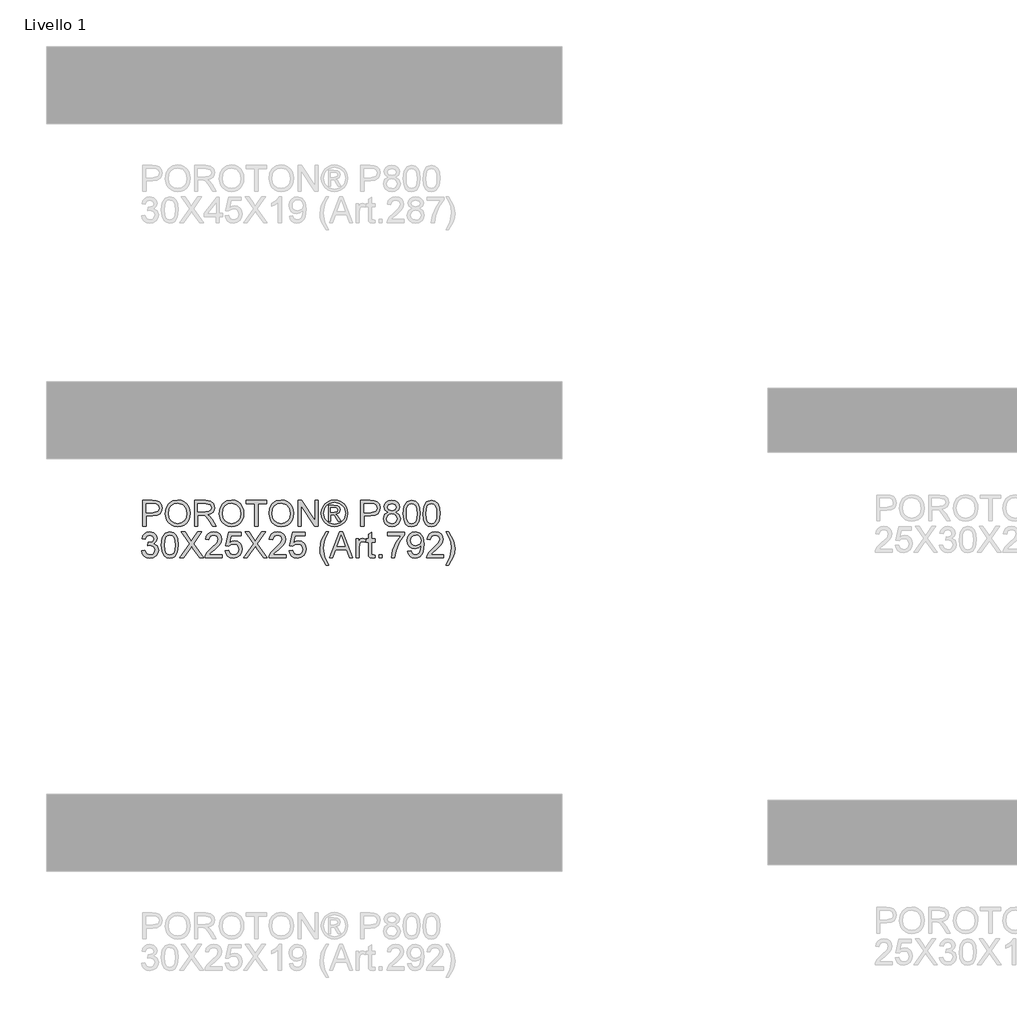
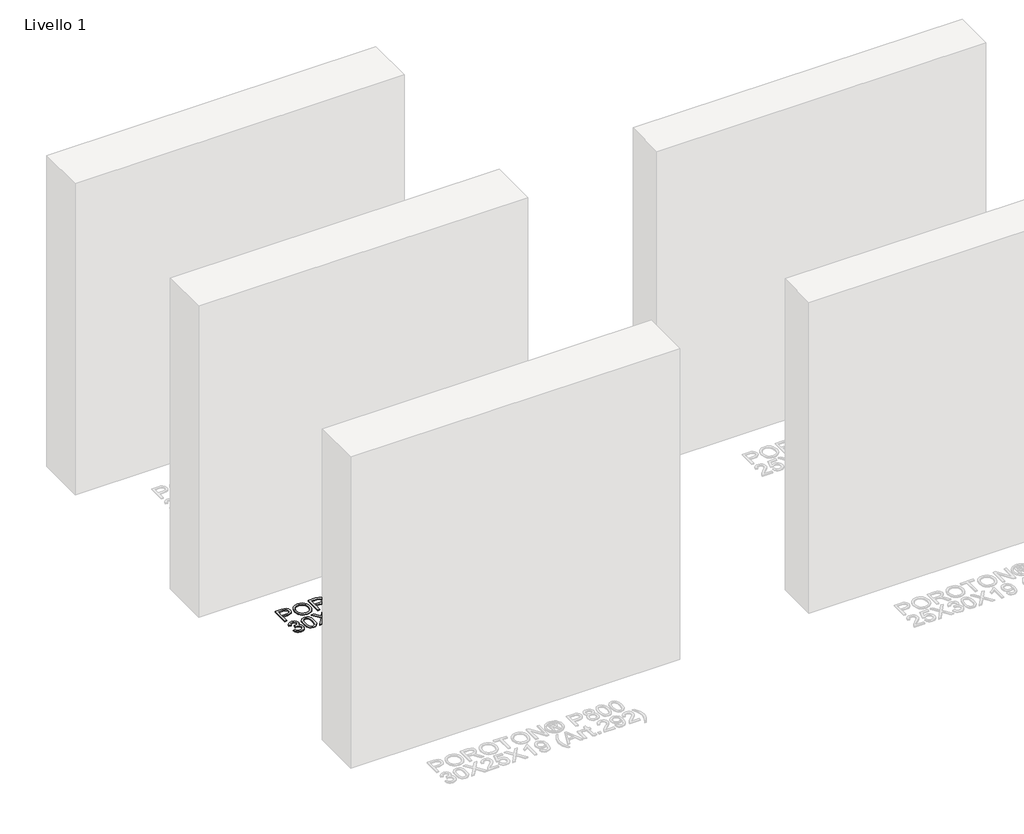
# One storey, part 4 of 8: 1 proxy.
"""IFC4 building model written with IfcOpenShell, lengths in millimetres."""

from ifc_helpers import new_model, si_unit, origin, origin_with_axes, place, context, project, spatial, polyline, outline, extrude, element, save

model = new_model("IFC4")

# Units and contexts
model_context = context("Model", 3, world=origin())
ifc_project = project(units=[si_unit("LENGTHUNIT", "METRE", prefix="MILLI")], contexts=[model_context])

# Site, building, storey
site = spatial("IfcSite", under=ifc_project)
building = spatial("IfcBuilding", under=site)
storey = spatial("IfcBuildingStorey", under=building, Name="Livello 1", Elevation=0.0)

# Proxy
placement = place(None, origin())
element("IfcBuildingElementProxy", 1, Name="100", ObjectType="100", at=placement, inside=storey, context=model_context, shape_type="SweptSolid", body=[
    extrude(outline(polyline([(-1769.2904212, 3865.8662597), (-1769.2904212, 3966.3225698), (-1732.0607633, 3966.3225698), (-1717.0511779, 3965.3660766), (-1704.8497584, 3960.6694498), (-1696.9402955, 3950.9573651), (-1693.9481886, 3937.2598922), (-1695.9684739, 3925.4202233), (-1702.0293298, 3915.5548545), (-1713.3631609, 3908.8961904), (-1731.202372, 3906.6766356), (-1756.7333825, 3906.6766356), (-1756.7333825, 3865.8662597), (-1769.2904212, 3865.8662597)]), holes=[polyline([(-1756.7333825, 3919.2336744), (-1730.466608, 3919.2336744), (-1711.9744064, 3923.8444621), (-1707.8725221, 3929.3933489), (-1706.5052274, 3936.8184338), (-1709.7303262, 3947.2172315), (-1718.2038748, 3952.9071397), (-1730.7609136, 3953.765531), (-1756.7333825, 3953.765531), (-1756.7333825, 3919.2336744)])]), origin_with_axes(), (0.0, 0.0, 1.0), 5.0),
    extrude(outline(polyline([(-1681.3911499, 3914.7700395), (-1678.0434237, 3936.9839807), (-1668.0002452, 3953.7900565), (-1652.6656974, 3964.3666639), (-1633.4438632, 3967.8921996), (-1620.2675564, 3966.2367307), (-1608.4524129, 3961.2703237), (-1598.6422264, 3953.3424667), (-1591.4807902, 3942.8026476), (-1587.1029945, 3930.1597697), (-1585.6437292, 3915.9227365), (-1587.1796366, 3901.4956309), (-1591.7873586, 3888.6749434), (-1599.2124435, 3878.1167301), (-1609.2004397, 3870.4770473), (-1620.9144155, 3865.8417342), (-1633.5174396, 3864.2966298), (-1646.8960814, 3866.0042154), (-1658.7786699, 3871.1269722), (-1668.564331, 3879.201982), (-1675.6521907, 3889.7663266), (-1681.3911499, 3914.7700395)]), holes=[polyline([(-1668.8341111, 3914.6474122), (-1666.3233165, 3898.9327197), (-1658.7909326, 3886.9581607), (-1647.4693642, 3879.3797916), (-1633.591016, 3876.8536686), (-1619.5103326, 3879.4043171), (-1608.1703701, 3887.0562626), (-1600.6931685, 3899.3987035), (-1598.200768, 3916.0208383), (-1602.4681992, 3936.7448574), (-1614.9393988, 3950.4668558), (-1633.3702868, 3955.3351609), (-1646.8776873, 3952.9899132), (-1658.361737, 3945.95417), (-1666.2160176, 3933.4369851), (-1668.8341111, 3914.6474122)])]), origin_with_axes(), (0.0, 0.0, 1.0), 5.0),
    extrude(outline(polyline([(-1568.3778009, 3865.8662597), (-1568.3778009, 3966.3225698), (-1525.0903528, 3966.3225698), (-1504.9917332, 3963.6125058), (-1494.0043242, 3954.0230484), (-1489.8963086, 3938.829522), (-1491.5977629, 3928.9334964), (-1496.7021255, 3920.7297279), (-1505.3626808, 3914.7148572), (-1517.7327129, 3911.3855252), (-1510.5958022, 3906.0144481), (-1500.4177337, 3893.0895273), (-1483.6668402, 3865.8662597), (-1498.2594927, 3865.8662597), (-1511.3315662, 3886.6883806), (-1520.7738708, 3900.4716927), (-1527.4080094, 3906.983204), (-1533.3799605, 3909.3744369), (-1540.664024, 3909.8158953), (-1555.8207622, 3909.8158953), (-1555.8207622, 3865.8662597), (-1568.3778009, 3865.8662597)]), holes=[polyline([(-1555.8207622, 3922.3729341), (-1527.7145777, 3922.3729341), (-1513.3794427, 3924.1510304), (-1505.2369878, 3929.8409386), (-1502.4533474, 3938.3635382), (-1507.7631109, 3949.4245235), (-1524.5507926, 3953.765531), (-1555.8207622, 3953.765531), (-1555.8207622, 3922.3729341)])]), origin_with_axes(), (0.0, 0.0, 1.0), 5.0),
    extrude(outline(polyline([(-1472.6303803, 3914.7700395), (-1469.2826542, 3936.9839807), (-1459.2394757, 3953.7900565), (-1443.9049279, 3964.3666639), (-1424.6830936, 3967.8921996), (-1411.5067868, 3966.2367307), (-1399.6916434, 3961.2703237), (-1389.8814569, 3953.3424667), (-1382.7200207, 3942.8026476), (-1378.342225, 3930.1597697), (-1376.8829597, 3915.9227365), (-1378.418867, 3901.4956309), (-1383.026589, 3888.6749434), (-1390.451674, 3878.1167301), (-1400.4396701, 3870.4770473), (-1412.153646, 3865.8417342), (-1424.75667, 3864.2966298), (-1438.1353119, 3866.0042154), (-1450.0179004, 3871.1269722), (-1459.8035614, 3879.201982), (-1466.8914212, 3889.7663266), (-1472.6303803, 3914.7700395)]), holes=[polyline([(-1460.0733416, 3914.6474122), (-1457.5625469, 3898.9327197), (-1450.0301631, 3886.9581607), (-1438.7085947, 3879.3797916), (-1424.8302464, 3876.8536686), (-1410.7495631, 3879.4043171), (-1399.4096006, 3887.0562626), (-1391.932399, 3899.3987035), (-1389.4399985, 3916.0208383), (-1393.7074296, 3936.7448574), (-1406.1786293, 3950.4668558), (-1424.6095172, 3955.3351609), (-1438.1169178, 3952.9899132), (-1449.6009674, 3945.95417), (-1457.455248, 3933.4369851), (-1460.0733416, 3914.6474122)])]), origin_with_axes(), (0.0, 0.0, 1.0), 5.0),
    extrude(outline(polyline([(-1334.5029539, 3865.8662597), (-1334.5029539, 3953.765531), (-1367.4651806, 3953.765531), (-1367.4651806, 3966.3225698), (-1288.9836883, 3966.3225698), (-1288.9836883, 3953.765531), (-1321.9459151, 3953.765531), (-1321.9459151, 3865.8662597), (-1334.5029539, 3865.8662597)])), origin_with_axes(), (0.0, 0.0, 1.0), 5.0),
    extrude(outline(polyline([(-1279.5659093, 3914.7700395), (-1276.2181831, 3936.9839807), (-1266.1750046, 3953.7900565), (-1250.8404568, 3964.3666639), (-1231.6186226, 3967.8921996), (-1218.4423158, 3966.2367307), (-1206.6271723, 3961.2703237), (-1196.8169858, 3953.3424667), (-1189.6555496, 3942.8026476), (-1185.2777539, 3930.1597697), (-1183.8184886, 3915.9227365), (-1185.354396, 3901.4956309), (-1189.962118, 3888.6749434), (-1197.3872029, 3878.1167301), (-1207.3751991, 3870.4770473), (-1219.0891749, 3865.8417342), (-1231.692199, 3864.2966298), (-1245.0708408, 3866.0042154), (-1256.9534293, 3871.1269722), (-1266.7390904, 3879.201982), (-1273.8269501, 3889.7663266), (-1279.5659093, 3914.7700395)]), holes=[polyline([(-1267.0088705, 3914.6474122), (-1264.4980759, 3898.9327197), (-1256.965692, 3886.9581607), (-1245.6441236, 3879.3797916), (-1231.7657754, 3876.8536686), (-1217.685092, 3879.4043171), (-1206.3451295, 3887.0562626), (-1198.8679279, 3899.3987035), (-1196.3755274, 3916.0208383), (-1200.6429586, 3936.7448574), (-1213.1141582, 3950.4668558), (-1231.5450462, 3955.3351609), (-1245.0524467, 3952.9899132), (-1256.5364964, 3945.95417), (-1264.390777, 3933.4369851), (-1267.0088705, 3914.6474122)])]), origin_with_axes(), (0.0, 0.0, 1.0), 5.0),
    extrude(outline(polyline([(-1166.5525603, 3865.8662597), (-1166.5525603, 3966.3225698), (-1153.1126048, 3966.3225698), (-1100.6281068, 3886.7374315), (-1100.6281068, 3966.3225698), (-1088.071068, 3966.3225698), (-1088.071068, 3865.8662597), (-1101.5110236, 3865.8662597), (-1153.9955216, 3945.4759234), (-1153.9955216, 3865.8662597), (-1166.5525603, 3865.8662597)])), origin_with_axes(), (0.0, 0.0, 1.0), 5.0),
    extrude(outline(polyline([(-1025.2613487, 3967.8921996), (-1012.3670848, 3966.2183366), (-999.7793892, 3961.1967473), (-988.7214696, 3953.0604239), (-980.4165335, 3942.0423581), (-975.2202003, 3929.3197725), (-973.4880893, 3916.0698893), (-975.1956749, 3902.936502), (-980.3184317, 3890.3181496), (-988.5222001, 3879.3399377), (-999.4728209, 3871.1269722), (-1012.0819763, 3866.0042154), (-1025.2613487, 3864.2966298), (-1038.4223271, 3866.0042154), (-1051.0253511, 3871.1269722), (-1061.9851689, 3879.3399377), (-1070.2165285, 3890.3181496), (-1075.3668765, 3902.936502), (-1077.0836591, 3916.0698893), (-1075.342351, 3929.3197725), (-1070.1184267, 3942.0423581), (-1061.7858995, 3953.0604239), (-1050.7187828, 3961.1967473), (-1038.1372186, 3966.2183366), (-1025.2613487, 3967.8921996)]), holes=[polyline([(-1025.2613487, 3958.4744206), (-1046.0834697, 3952.9929788), (-1055.111907, 3946.331249), (-1061.9391836, 3937.3089431), (-1067.66588, 3916.0698893), (-1062.0495482, 3895.0147764), (-1046.3287243, 3879.3307407), (-1025.2613487, 3873.7144089), (-1004.1817104, 3879.3307407), (-988.4976747, 3895.0147764), (-982.9058683, 3916.0698893), (-988.5957765, 3937.3089431), (-995.4046591, 3946.331249), (-1004.4514905, 3952.9929788), (-1025.2613487, 3958.4744206)])]), origin_with_axes(), (0.0, 0.0, 1.0), 5.0),
    extrude(outline(polyline([(-1048.8303219, 3884.7018178), (-1048.8303219, 3947.4870116), (-1028.5477612, 3947.4870116), (-1013.4891249, 3945.7579663), (-1006.0701713, 3939.7247015), (-1003.3110563, 3930.5644399), (-1008.0689968, 3918.6450632), (-1020.6750865, 3912.955155), (-1015.7699933, 3909.6196916), (-1007.2106055, 3897.0871783), (-1000.1717967, 3884.7018178), (-1010.7667981, 3884.7018178), (-1016.285028, 3894.6591571), (-1025.5311289, 3909.0801314), (-1033.5509564, 3911.3855252), (-1039.4125428, 3911.3855252), (-1039.4125428, 3884.7018178), (-1048.8303219, 3884.7018178)]), holes=[polyline([(-1039.4125428, 3920.8033043), (-1027.4931662, 3920.8033043), (-1015.8435697, 3923.1945372), (-1012.7288354, 3929.5343703), (-1014.2248889, 3934.096107), (-1018.3819554, 3937.0882139), (-1028.2534556, 3938.0692326), (-1039.4125428, 3938.0692326), (-1039.4125428, 3920.8033043)])]), origin_with_axes(), (0.0, 0.0, 1.0), 5.0),
    extrude(outline(polyline([(-923.2599342, 3865.8662597), (-923.2599342, 3966.3225698), (-886.0302763, 3966.3225698), (-871.0206909, 3965.3660766), (-858.8192714, 3960.6694498), (-850.9098085, 3950.9573651), (-847.9177016, 3937.2598922), (-849.9379869, 3925.4202233), (-855.9988427, 3915.5548545), (-867.3326739, 3908.8961904), (-885.171885, 3906.6766356), (-910.7028954, 3906.6766356), (-910.7028954, 3865.8662597), (-923.2599342, 3865.8662597)]), holes=[polyline([(-910.7028954, 3919.2336744), (-884.436121, 3919.2336744), (-865.9439193, 3923.8444621), (-861.8420351, 3929.3933489), (-860.4747404, 3936.8184338), (-863.6998392, 3947.2172315), (-872.1733878, 3952.9071397), (-884.7304266, 3953.765531), (-910.7028954, 3953.765531), (-910.7028954, 3919.2336744)])]), origin_with_axes(), (0.0, 0.0, 1.0), 5.0),
    extrude(outline(polyline([(-817.0646649, 3921.1957117), (-828.505795, 3928.99481), (-832.2214031, 3941.1349159), (-830.1980522, 3950.9512338), (-824.1279992, 3959.0630318), (-814.6918261, 3964.5076853), (-802.5701143, 3966.3225698), (-790.3748262, 3964.4647657), (-780.8160257, 3958.8913535), (-774.6356081, 3950.6507968), (-772.575469, 3940.7915593), (-776.2420262, 3928.9580218), (-787.3643252, 3921.1957117), (-774.0102088, 3911.348737), (-769.4362093, 3895.1006155), (-771.7048149, 3883.0953998), (-778.5106318, 3873.1748486), (-789.0197942, 3866.5161845), (-802.398436, 3864.2966298), (-815.7770779, 3866.5253816), (-826.2862403, 3873.2116368), (-833.0920572, 3883.2272241), (-835.3606628, 3895.4439721), (-830.6027223, 3912.0722382), (-817.0646649, 3921.1957117)]), holes=[polyline([(-819.6643644, 3940.7670339), (-815.2129922, 3930.9077964), (-802.2512833, 3927.0818236), (-789.5470917, 3930.8832709), (-785.1325077, 3940.2029481), (-789.6942445, 3949.8537191), (-802.398436, 3953.765531), (-815.1394158, 3949.9395583), (-819.6643644, 3940.7670339)]), polyline([(-822.803624, 3895.8854305), (-820.7066967, 3886.4308632), (-813.2877431, 3879.3552661), (-802.3003342, 3876.8536686), (-793.7532092, 3878.1688467), (-787.3397997, 3882.1143811), (-781.9932481, 3895.493023), (-787.511478, 3909.1291823), (-794.0720402, 3913.1758842), (-802.7172671, 3914.5247849), (-811.1448305, 3913.1942783), (-817.4938606, 3909.2027587), (-822.803624, 3895.8854305)])]), origin_with_axes(), (0.0, 0.0, 1.0), 5.0),
    extrude(outline(polyline([(-758.4488004, 3915.2850743), (-754.7577177, 3944.1883364), (-743.7948342, 3960.8533908), (-725.4865736, 3966.3225698), (-710.8203447, 3963.0852082), (-700.6913271, 3953.7532683), (-694.8052152, 3938.8908357), (-692.5243468, 3915.2850743), (-696.1786413, 3886.5044396), (-707.1047366, 3869.802597), (-715.3360962, 3865.6731216), (-725.4865736, 3864.2966298), (-738.5341217, 3866.6878628), (-748.4424101, 3873.8615617), (-755.9472028, 3890.8515785), (-758.4488004, 3915.2850743)]), holes=[polyline([(-745.8917616, 3915.3095998), (-744.4202336, 3895.5574023), (-740.0056497, 3884.1254693), (-733.4328247, 3878.6716188), (-725.4865736, 3876.8536686), (-717.5403225, 3878.6777501), (-710.9674975, 3884.1499948), (-706.5529136, 3895.5880592), (-705.0813856, 3915.3095998), (-706.5038626, 3934.6172732), (-710.7712938, 3946.138111), (-717.331856, 3951.858676), (-725.6337264, 3953.765531), (-733.4941384, 3952.0855366), (-739.8094459, 3947.0455533), (-744.3711827, 3934.8073455), (-745.8917616, 3915.3095998)])]), origin_with_axes(), (0.0, 0.0, 1.0), 5.0),
    extrude(outline(polyline([(-681.5369379, 3915.2850743), (-677.8458552, 3944.1883364), (-666.8829718, 3960.8533908), (-648.5747111, 3966.3225698), (-633.9084823, 3963.0852082), (-623.7794647, 3953.7532683), (-617.8933527, 3938.8908357), (-615.6124844, 3915.2850743), (-619.2667789, 3886.5044396), (-630.1928741, 3869.802597), (-638.4242337, 3865.6731216), (-648.5747111, 3864.2966298), (-661.6222592, 3866.6878628), (-671.5305476, 3873.8615617), (-679.0353403, 3890.8515785), (-681.5369379, 3915.2850743)]), holes=[polyline([(-668.9798991, 3915.3095998), (-667.5083712, 3895.5574023), (-663.0937872, 3884.1254693), (-656.5209622, 3878.6716188), (-648.5747111, 3876.8536686), (-640.62846, 3878.6777501), (-634.0556351, 3884.1499948), (-629.6410511, 3895.5880592), (-628.1695231, 3915.3095998), (-629.5920002, 3934.6172732), (-633.8594313, 3946.138111), (-640.4199936, 3951.858676), (-648.7218639, 3953.765531), (-656.5822759, 3952.0855366), (-662.8975835, 3947.0455533), (-667.4593202, 3934.8073455), (-668.9798991, 3915.3095998)])]), origin_with_axes(), (0.0, 0.0, 1.0), 5.0),
    extrude(outline(polyline([(-1773.9993108, 3770.5751492), (-1761.442272, 3772.144779), (-1754.5138278, 3758.9255527), (-1741.5521188, 3754.8788507), (-1732.9436801, 3756.2706709), (-1726.2972787, 3760.4461316), (-1720.631896, 3774.2294437), (-1726.2482278, 3787.2156781), (-1740.5220492, 3792.3537633), (-1749.3266916, 3790.9803372), (-1747.9287401, 3803.537376), (-1745.9176518, 3803.3902232), (-1731.6683559, 3806.9954667), (-1726.9226781, 3811.5694662), (-1725.3407855, 3818.0809775), (-1729.9270478, 3827.9034268), (-1741.7483225, 3831.7907132), (-1753.7167501, 3827.8666386), (-1759.8726422, 3816.0944147), (-1772.4296809, 3817.6640446), (-1768.7324669, 3828.9396277), (-1762.1535105, 3837.357994), (-1753.1526644, 3842.6003125), (-1742.1897809, 3844.347752), (-1727.0453055, 3840.9019239), (-1716.450304, 3831.4841449), (-1712.7837468, 3818.8167415), (-1716.266363, 3807.2407214), (-1726.5670589, 3798.9265883), (-1712.8818486, 3790.3426751), (-1708.0748572, 3774.0087145), (-1710.4783529, 3761.7705068), (-1717.68884, 3751.5433873), (-1728.5720157, 3744.6272058), (-1741.9935772, 3742.321812), (-1754.133683, 3744.2899806), (-1764.017446, 3750.1944867), (-1770.8907079, 3759.2259896), (-1773.9993108, 3770.5751492)])), origin_with_axes(), (0.0, 0.0, 1.0), 5.0),
    extrude(outline(polyline([(-1697.0874483, 3793.3102565), (-1693.3963656, 3822.2135186), (-1682.4334822, 3838.878573), (-1664.1252216, 3844.347752), (-1649.4589927, 3841.1103904), (-1639.3299751, 3831.7784505), (-1633.4438632, 3816.9160178), (-1631.1629948, 3793.3102565), (-1634.8172893, 3764.5296217), (-1645.7433845, 3747.8277792), (-1653.9747442, 3743.6983038), (-1664.1252216, 3742.321812), (-1677.1727696, 3744.7130449), (-1687.0810581, 3751.8867438), (-1694.5858508, 3768.8767606), (-1697.0874483, 3793.3102565)]), holes=[polyline([(-1684.5304096, 3793.334782), (-1683.0588816, 3773.5825845), (-1678.6442976, 3762.1506515), (-1672.0714726, 3756.6968009), (-1664.1252216, 3754.8788507), (-1656.1789705, 3756.7029323), (-1649.6061455, 3762.175177), (-1645.1915615, 3773.6132413), (-1643.7200336, 3793.334782), (-1645.1425106, 3812.6424553), (-1649.4099417, 3824.1632932), (-1655.970504, 3829.8838582), (-1664.2723743, 3831.7907132), (-1672.1327863, 3830.1107187), (-1678.4480939, 3825.0707354), (-1683.0098306, 3812.8325277), (-1684.5304096, 3793.334782)])]), origin_with_axes(), (0.0, 0.0, 1.0), 5.0),
    extrude(outline(polyline([(-1626.4541052, 3743.8914418), (-1587.7283939, 3798.6322827), (-1620.1755859, 3844.347752), (-1605.1169495, 3844.347752), (-1586.8454771, 3818.6205378), (-1580.689585, 3808.589622), (-1573.4790979, 3818.792216), (-1555.4038292, 3844.347752), (-1540.1244637, 3844.347752), (-1572.5716557, 3798.4851299), (-1533.8459443, 3743.8914418), (-1548.9045807, 3743.8914418), (-1574.7053713, 3780.2872339), (-1580.0764484, 3787.8410775), (-1585.9870858, 3779.5514699), (-1611.1747397, 3743.8914418), (-1626.4541052, 3743.8914418)])), origin_with_axes(), (0.0, 0.0, 1.0), 5.0),
    extrude(outline(polyline([(-1461.6429714, 3756.4484806), (-1461.6429714, 3743.8914418), (-1527.5674249, 3743.8914418), (-1526.2185243, 3752.5489314), (-1518.5911043, 3765.8785224), (-1502.8702803, 3780.4343867), (-1481.1897681, 3801.3546095), (-1475.76964, 3815.5793799), (-1480.8831998, 3827.0940864), (-1494.2373162, 3831.7907132), (-1508.1555183, 3827.204451), (-1513.4407563, 3814.5247849), (-1525.9977951, 3816.0944147), (-1522.9535716, 3828.2406519), (-1516.3715496, 3837.1127394), (-1506.5950855, 3842.5389988), (-1493.967536, 3844.347752), (-1481.2480161, 3842.3366637), (-1471.4899461, 3836.303399), (-1465.2819375, 3827.2902901), (-1463.2126013, 3816.3396694), (-1465.4444187, 3804.4325555), (-1472.8633723, 3792.1207714), (-1490.8528018, 3774.9161567), (-1505.2983015, 3762.8373646), (-1510.9636842, 3756.4484806), (-1461.6429714, 3756.4484806)])), origin_with_axes(), (0.0, 0.0, 1.0), 5.0),
    extrude(outline(polyline([(-1449.0859326, 3770.5751492), (-1436.5288939, 3772.144779), (-1430.2013236, 3759.2075955), (-1417.0801991, 3754.8788507), (-1408.0793529, 3756.3841012), (-1401.3348497, 3760.8998527), (-1397.1226008, 3767.904939), (-1395.7185179, 3776.878194), (-1400.9792304, 3791.7896776), (-1407.5857779, 3795.8915618), (-1416.8839953, 3797.2588566), (-1427.9081924, 3795.0760901), (-1434.959264, 3789.4107073), (-1447.5163028, 3790.9803372), (-1436.5288939, 3842.7781221), (-1387.8703686, 3842.7781221), (-1387.8703686, 3830.2210833), (-1426.3753508, 3830.2210833), (-1431.7464279, 3802.5563573), (-1422.7762386, 3808.0010108), (-1413.3768536, 3809.8158953), (-1401.6444837, 3807.5656838), (-1391.9048079, 3800.8150492), (-1385.3473113, 3790.5266161), (-1383.1614791, 3777.663009), (-1385.1296478, 3765.1059702), (-1391.0341538, 3754.3638159), (-1402.3403938, 3745.332313), (-1417.12925, 3742.321812), (-1429.4624939, 3744.2562581), (-1439.2880088, 3750.0595966), (-1446.023315, 3759.0573771), (-1449.0859326, 3770.5751492)])), origin_with_axes(), (0.0, 0.0, 1.0), 5.0),
    extrude(outline(polyline([(-1378.4525896, 3743.8914418), (-1339.7268782, 3798.6322827), (-1372.1740702, 3844.347752), (-1357.1154338, 3844.347752), (-1338.8439614, 3818.6205378), (-1332.6880694, 3808.589622), (-1325.4775823, 3818.792216), (-1307.4023136, 3844.347752), (-1292.122948, 3844.347752), (-1324.57014, 3798.4851299), (-1285.8444286, 3743.8914418), (-1300.903065, 3743.8914418), (-1326.7038556, 3780.2872339), (-1332.0749327, 3787.8410775), (-1337.9855701, 3779.5514699), (-1363.173224, 3743.8914418), (-1378.4525896, 3743.8914418)])), origin_with_axes(), (0.0, 0.0, 1.0), 5.0),
    extrude(outline(polyline([(-1213.6414557, 3756.4484806), (-1213.6414557, 3743.8914418), (-1279.5659093, 3743.8914418), (-1278.2170086, 3752.5489314), (-1270.5895886, 3765.8785224), (-1254.8687647, 3780.4343867), (-1233.1882524, 3801.3546095), (-1227.7681243, 3815.5793799), (-1232.8816841, 3827.0940864), (-1246.2358005, 3831.7907132), (-1260.1540026, 3827.204451), (-1265.4392406, 3814.5247849), (-1277.9962794, 3816.0944147), (-1274.9520559, 3828.2406519), (-1268.3700339, 3837.1127394), (-1258.5935699, 3842.5389988), (-1245.9660204, 3844.347752), (-1233.2465004, 3842.3366637), (-1223.4884305, 3836.303399), (-1217.2804218, 3827.2902901), (-1215.2110856, 3816.3396694), (-1217.442903, 3804.4325555), (-1224.8618566, 3792.1207714), (-1242.8512861, 3774.9161567), (-1257.2967858, 3762.8373646), (-1262.9621685, 3756.4484806), (-1213.6414557, 3756.4484806)])), origin_with_axes(), (0.0, 0.0, 1.0), 5.0),
    extrude(outline(polyline([(-1201.084417, 3770.5751492), (-1188.5273782, 3772.144779), (-1182.1998079, 3759.2075955), (-1169.0786834, 3754.8788507), (-1160.0778372, 3756.3841012), (-1153.333334, 3760.8998527), (-1149.1210851, 3767.904939), (-1147.7170022, 3776.878194), (-1152.9777147, 3791.7896776), (-1159.5842622, 3795.8915618), (-1168.8824796, 3797.2588566), (-1179.9066768, 3795.0760901), (-1186.9577483, 3789.4107073), (-1199.5147871, 3790.9803372), (-1188.5273782, 3842.7781221), (-1139.868853, 3842.7781221), (-1139.868853, 3830.2210833), (-1178.3738351, 3830.2210833), (-1183.7449122, 3802.5563573), (-1174.7747229, 3808.0010108), (-1165.375338, 3809.8158953), (-1153.642968, 3807.5656838), (-1143.9032922, 3800.8150492), (-1137.3457956, 3790.5266161), (-1135.1599634, 3777.663009), (-1137.1281321, 3765.1059702), (-1143.0326381, 3754.3638159), (-1154.3388781, 3745.332313), (-1169.1277343, 3742.321812), (-1181.4609782, 3744.2562581), (-1191.2864932, 3750.0595966), (-1198.0217993, 3759.0573771), (-1201.084417, 3770.5751492)])), origin_with_axes(), (0.0, 0.0, 1.0), 5.0),
    extrude(outline(polyline([(-1056.6784711, 3715.6381046), (-1074.5084851, 3745.0931897), (-1079.9715328, 3762.2732788), (-1081.7925487, 3780.0665047), (-1076.3478951, 3810.6007103), (-1056.6784711, 3844.347752), (-1047.260692, 3844.347752), (-1059.0083904, 3824.4575987), (-1066.0717247, 3805.1805822), (-1069.2355099, 3779.9929283), (-1063.7418054, 3747.8032537), (-1047.260692, 3715.6381046), (-1056.6784711, 3715.6381046)])), origin_with_axes(), (0.0, 0.0, 1.0), 5.0),
    extrude(outline(polyline([(-1044.8326709, 3743.8914418), (-1004.7335334, 3844.347752), (-994.0404301, 3844.347752), (-953.9412926, 3743.8914418), (-967.2095699, 3743.8914418), (-978.7120136, 3775.2840387), (-1020.0864753, 3775.2840387), (-1031.5643936, 3743.8914418), (-1044.8326709, 3743.8914418)]), holes=[polyline([(-1015.4756877, 3787.8410775), (-983.2982758, 3787.8410775), (-992.3481729, 3812.5382221), (-999.3869817, 3831.7907132), (-1005.6409757, 3814.6964631), (-1015.4756877, 3787.8410775)])]), origin_with_axes(), (0.0, 0.0, 1.0), 5.0),
    extrude(outline(polyline([(-942.0954924, 3743.8914418), (-942.0954924, 3817.6640446), (-931.1080834, 3817.6640446), (-931.1080834, 3806.750212), (-923.3089851, 3816.8056532), (-915.4608359, 3819.2336744), (-902.8547462, 3815.3586507), (-907.0486009, 3804.1014617), (-915.8777688, 3806.6766356), (-922.9778913, 3804.1995635), (-927.5028399, 3797.332433), (-929.5384536, 3782.6662041), (-929.5384536, 3743.8914418), (-942.0954924, 3743.8914418)])), origin_with_axes(), (0.0, 0.0, 1.0), 5.0),
    extrude(outline(polyline([(-868.3228896, 3754.3638159), (-866.7532597, 3743.5235598), (-876.1465133, 3742.321812), (-886.6679384, 3744.4064766), (-891.9163882, 3749.8756556), (-893.4369671, 3764.1249515), (-893.4369671, 3805.1070058), (-902.8547462, 3805.1070058), (-902.8547462, 3817.6640446), (-893.4369671, 3817.6640446), (-893.4369671, 3835.5921605), (-880.8799284, 3842.9743258), (-880.8799284, 3817.6640446), (-868.3228896, 3817.6640446), (-868.3228896, 3805.1070058), (-880.8799284, 3805.1070058), (-880.8799284, 3764.4928335), (-880.2177408, 3758.0181104), (-878.0717625, 3755.7249793), (-873.7920686, 3754.8788507), (-868.3228896, 3754.3638159)])), origin_with_axes(), (0.0, 0.0, 1.0), 5.0),
    extrude(outline(polyline([(-852.6265911, 3743.8914418), (-852.6265911, 3756.4484806), (-840.0695524, 3756.4484806), (-840.0695524, 3743.8914418), (-852.6265911, 3743.8914418)])), origin_with_axes(), (0.0, 0.0, 1.0), 5.0),
    extrude(outline(polyline([(-819.6643644, 3830.2210833), (-819.6643644, 3842.7781221), (-753.7399108, 3842.7781221), (-753.7399108, 3832.624579), (-772.4405789, 3805.6097779), (-786.7511885, 3771.1882858), (-791.4110271, 3743.8914418), (-803.9680659, 3743.8914418), (-798.9771335, 3772.2183554), (-785.2796605, 3804.2363517), (-766.2969496, 3830.2210833), (-819.6643644, 3830.2210833)])), origin_with_axes(), (0.0, 0.0, 1.0), 5.0),
    extrude(outline(polyline([(-741.1828721, 3769.0055193), (-728.6258333, 3770.5751492), (-722.984976, 3758.5944589), (-712.2918727, 3754.8788507), (-702.1260669, 3757.2700837), (-695.2344109, 3763.6589677), (-691.1263952, 3774.5728002), (-689.3115107, 3789.1409272), (-689.3850871, 3791.5934738), (-699.4282656, 3782.0775929), (-713.199315, 3778.4232984), (-724.6496421, 3780.6551159), (-734.1808514, 3787.3505682), (-740.6095893, 3797.6941836), (-742.7525019, 3810.8704904), (-740.505356, 3824.4821242), (-733.7639185, 3835.1507021), (-723.6379666, 3842.0484895), (-711.2372776, 3844.347752), (-693.3459499, 3839.0993022), (-681.0341658, 3824.1387677), (-676.8280484, 3796.0325833), (-681.0219031, 3765.5351659), (-686.2366304, 3755.544104), (-693.4931027, 3748.2569748), (-702.4786205, 3743.8056027), (-712.8804839, 3742.321812), (-723.6165068, 3744.0723171), (-732.1820259, 3749.3238326), (-738.1723711, 3757.7452646), (-741.1828721, 3769.0055193)]), holes=[polyline([(-689.3850871, 3811.164796), (-690.7401191, 3819.6751328), (-694.8052152, 3826.2234323), (-701.1143914, 3830.398893), (-709.2016639, 3831.7907132), (-717.5893734, 3830.2915941), (-724.3093512, 3825.7942367), (-728.7239351, 3818.9117777), (-730.1954631, 3810.2573537), (-728.8036429, 3802.4981093), (-724.6281823, 3796.3391516), (-718.0737514, 3792.3200408), (-709.5450205, 3790.9803372), (-695.0627326, 3796.3391516), (-690.8044985, 3802.7249699), (-689.3850871, 3811.164796)])]), origin_with_axes(), (0.0, 0.0, 1.0), 5.0),
    extrude(outline(polyline([(-601.4858158, 3756.4484806), (-601.4858158, 3743.8914418), (-667.4102693, 3743.8914418), (-666.0613686, 3752.5489314), (-658.4339486, 3765.8785224), (-642.7131247, 3780.4343867), (-621.0326124, 3801.3546095), (-615.6124844, 3815.5793799), (-620.7260441, 3827.0940864), (-634.0801605, 3831.7907132), (-647.9983627, 3827.204451), (-653.2836007, 3814.5247849), (-665.8406394, 3816.0944147), (-662.7964159, 3828.2406519), (-656.2143939, 3837.1127394), (-646.4379299, 3842.5389988), (-633.8103804, 3844.347752), (-621.0908604, 3842.3366637), (-611.3327905, 3836.303399), (-605.1247818, 3827.2902901), (-603.0554456, 3816.3396694), (-605.287263, 3804.4325555), (-612.7062166, 3792.1207714), (-630.6956462, 3774.9161567), (-645.1411458, 3762.8373646), (-650.8065286, 3756.4484806), (-601.4858158, 3756.4484806)])), origin_with_axes(), (0.0, 0.0, 1.0), 5.0),
    extrude(outline(polyline([(-582.6502576, 3715.6381046), (-592.0680367, 3715.6381046), (-575.5869233, 3747.8032537), (-570.0932188, 3779.9929283), (-573.257004, 3804.959853), (-580.2467619, 3824.261395), (-592.0680367, 3844.347752), (-582.6502576, 3844.347752), (-562.9808336, 3810.6007103), (-557.5361801, 3780.0665047), (-559.366393, 3762.2732788), (-564.8570318, 3745.0931897), (-582.6502576, 3715.6381046)])), origin_with_axes(), (0.0, 0.0, 1.0), 5.0),
])

save(model, "model.ifc")
